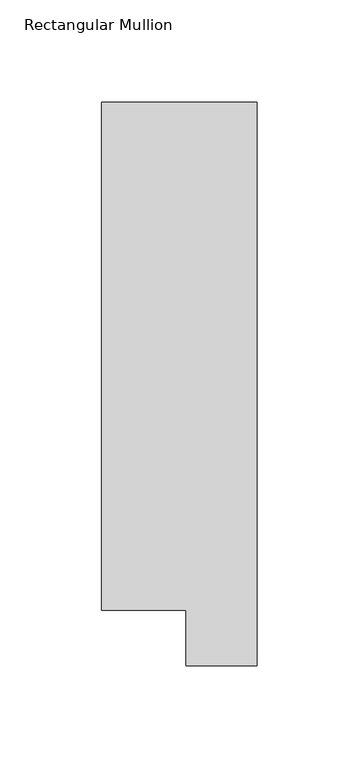
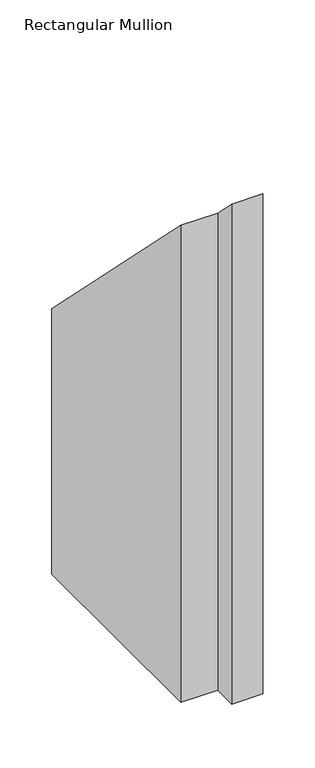
"""IFC4 building model written with IfcOpenShell, lengths in millimetres: member geometry, Rectangular Mullion."""

from ifc_helpers import new_model, si_unit, origin, place, context, project, spatial, faceted_brep, source, transform, mapped, element, save


def rectangular_mullion_305d204c(model_context):
    return source(origin(), model_context, "Body", "Brep", [
        faceted_brep([(-3.3e-06, 295.9695326, -609.6), (0.0, 19.5667326, -609.6), (-34.9123, 19.5667322, -609.6), (-34.9123003, 46.7447311, -609.6), (-76.2000003, 46.7447306, -609.6), (-76.2000033, 295.9695317, -609.6), (-76.2000033, 295.9695317, -295.9695317), (-3.3e-06, 295.9695326, -295.9695326), (-76.2000003, 46.7447306, -46.7447306), (-34.9123003, 46.7447311, -46.7447311), (-34.9123, 19.5667322, -19.5667322), (0.0, 19.5667326, -19.5667326)], [[[0, 1, 2, 3, 4, 5]], [[6, 7, 0, 5]], [[8, 6, 5, 4]], [[9, 8, 4, 3]], [[10, 9, 3, 2]], [[11, 10, 2, 1]], [[7, 11, 1, 0]], [[7, 6, 8, 9, 10, 11]]]),
    ])


if __name__ == "__main__":
    model = new_model("IFC4")
    model_context = context("Model", 3, world=origin())
    ifc_project = project(units=[si_unit("LENGTHUNIT", "METRE", prefix="MILLI")], contexts=[model_context])
    site = spatial("IfcSite", under=ifc_project)
    building = spatial("IfcBuilding", under=site)
    placement = place(None, origin())
    rectangular_mullion_shape = rectangular_mullion_305d204c(model_context)
    element("IfcMember", 1, ObjectType="Rectangular Mullion", at=placement, inside=building, context=model_context, shape_type="MappedRepresentation", body=[
        mapped(rectangular_mullion_shape, transform((0.0, 0.0, 0.0), x_axis=(1.0, 0.0, 0.0), y_axis=(0.0, 1.0, 0.0), z_axis=(0.0, 0.0, 1.0))),
    ])
    save(model, "model.ifc")
